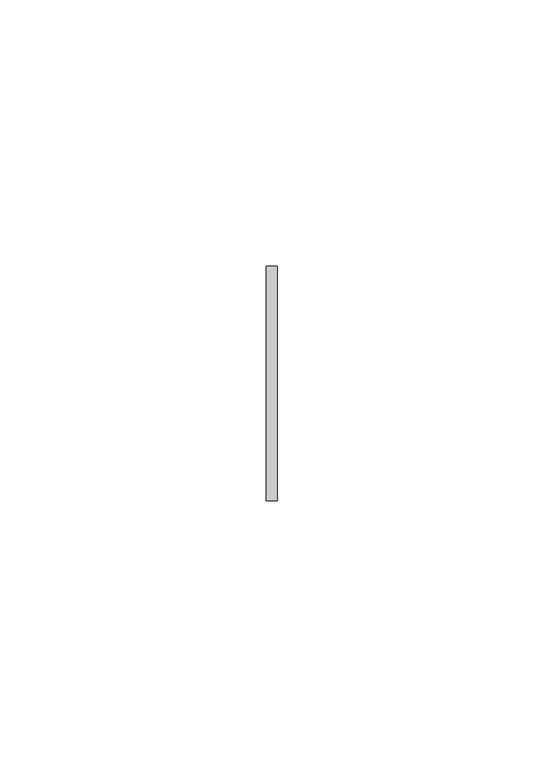
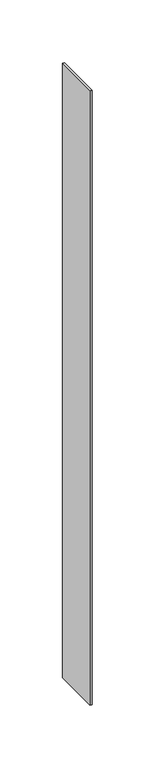
"""IFC4 building model written with IfcOpenShell, lengths in millimetres: member geometry."""

from ifc_helpers import new_model, si_unit, frame, origin, place, context, project, spatial, polyline, outline, extrude, source, transform, mapped, element, save


def member_5b2d3e5f(model_context):
    return source(origin(), model_context, "Body", "SweptSolid", [
        extrude(outline(polyline([(1.0, 22.0), (1.0, -22.0), (-1.0, -22.0), (-1.0, 22.0), (1.0, 22.0)])), frame((0.0, 0.0, -598.0000003), z_axis=(0.0, 0.0, 1.0), x_axis=(1.0, 0.0, 0.0)), (0.0, 0.0, 1.0), 598.0000003),
    ])


if __name__ == "__main__":
    model = new_model("IFC4")
    model_context = context("Model", 3, world=origin())
    ifc_project = project(units=[si_unit("LENGTHUNIT", "METRE", prefix="MILLI")], contexts=[model_context])
    site = spatial("IfcSite", under=ifc_project)
    building = spatial("IfcBuilding", under=site)
    placement = place(None, origin())
    member_shape = member_5b2d3e5f(model_context)
    element("IfcMember", 1, at=placement, inside=building, context=model_context, shape_type="MappedRepresentation", body=[
        mapped(member_shape, transform((0.0, 0.0, 0.0), x_axis=(1.0, 0.0, 0.0), y_axis=(0.0, 1.0, 0.0), z_axis=(0.0, 0.0, 1.0))),
    ])
    save(model, "model.ifc")
